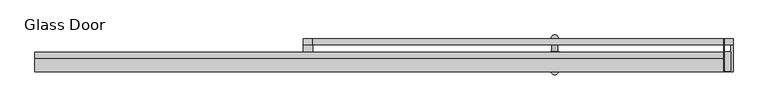
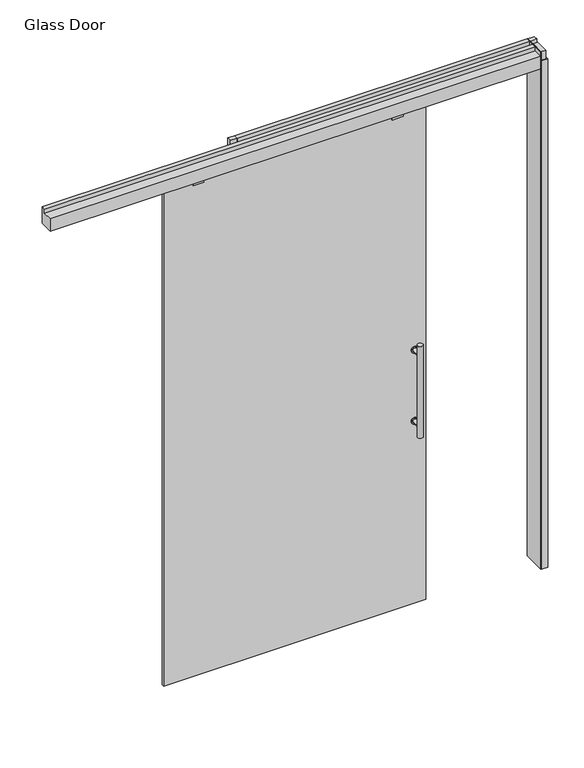
"""IFC4 building model written with IfcOpenShell, lengths in millimetres: plate geometry, Glass Door."""

from ifc_helpers import new_model, si_unit, point, frame, frame_2d, origin, origin_with_axes, place, context, project, spatial, polyline, circle_curve, trimmed, segment, composite_curve, outline, extrude, source, transform, mapped, element, save


def glass_door_21e75e4e(model_context):
    return source(origin(), model_context, "Body", "SweptSolid", [
        extrude(outline(composite_curve([segment(trimmed(circle_curve(frame_2d((1267.7758628, 122.9502762)), 15.5007671), [point((1267.7758628, 107.449509))], [point((1267.7758628, 138.4510433))], False, "CARTESIAN"), True, "CONTINUOUS"), segment(trimmed(circle_curve(frame_2d((1267.7758628, 122.9502762)), 15.5007671), [point((1267.7758628, 138.4510433))], [point((1267.7758628, 107.449509))], False, "CARTESIAN"), True, "CONTINUOUS")], self_intersect=False)), frame((0.0, -15.2147122, 0.0), z_axis=(0.0, 1.0, 0.0), x_axis=(0.0, 0.0, 1.0)), (0.0, 0.0, 1.0), 3.556),
        extrude(outline(composite_curve([segment(trimmed(circle_curve(frame_2d((912.5206255, 122.9502762)), 15.5007671), [point((912.5206255, 107.449509))], [point((912.5206255, 138.4510433))], False, "CARTESIAN"), True, "CONTINUOUS"), segment(trimmed(circle_curve(frame_2d((912.5206255, 122.9502762)), 15.5007671), [point((912.5206255, 138.4510433))], [point((912.5206255, 107.449509))], False, "CARTESIAN"), True, "CONTINUOUS")], self_intersect=False)), frame((0.0, -15.2147122, 0.0), z_axis=(0.0, 1.0, 0.0), x_axis=(0.0, 0.0, 1.0)), (0.0, 0.0, 1.0), 3.556),
        extrude(outline(composite_curve([segment(trimmed(circle_curve(frame_2d((912.5206255, 122.9502762)), 9.4326721), [point((912.5206255, 113.5176041))], [point((912.5206255, 132.3829482))], False, "CARTESIAN"), True, "CONTINUOUS"), segment(trimmed(circle_curve(frame_2d((912.5206255, 122.9502762)), 9.4326721), [point((912.5206255, 132.3829482))], [point((912.5206255, 113.5176041))], False, "CARTESIAN"), True, "CONTINUOUS")], self_intersect=False)), frame((0.0, -11.6587122, 0.0), z_axis=(0.0, 1.0, 0.0), x_axis=(0.0, 0.0, 1.0)), (0.0, 0.0, 1.0), 44.4031381),
        extrude(outline(composite_curve([segment(trimmed(circle_curve(frame_2d((1267.7758628, 122.9502762)), 9.4326721), [point((1267.7758628, 113.5176041))], [point((1267.7758628, 132.3829482))], False, "CARTESIAN"), True, "CONTINUOUS"), segment(trimmed(circle_curve(frame_2d((1267.7758628, 122.9502762)), 9.4326721), [point((1267.7758628, 132.3829482))], [point((1267.7758628, 113.5176041))], False, "CARTESIAN"), True, "CONTINUOUS")], self_intersect=False)), frame((0.0, -11.6587122, 0.0), z_axis=(0.0, 1.0, 0.0), x_axis=(0.0, 0.0, 1.0)), (0.0, 0.0, 1.0), 44.4031381),
        extrude(outline(composite_curve([segment(trimmed(circle_curve(frame_2d((122.9502762, 32.7444259)), 12.7), [point((110.2502762, 32.7444259))], [point((135.6502762, 32.7444259))], False, "CARTESIAN"), True, "CONTINUOUS"), segment(trimmed(circle_curve(frame_2d((122.9502762, 32.7444259)), 12.7), [point((135.6502762, 32.7444259))], [point((110.2502762, 32.7444259))], False, "CARTESIAN"), True, "CONTINUOUS")], self_intersect=False)), frame((0.0, 0.0, 861.5482441), z_axis=(0.0, 0.0, 1.0), x_axis=(1.0, 0.0, 0.0)), (0.0, 0.0, 1.0), 457.2),
        extrude(outline(composite_curve([segment(trimmed(circle_curve(frame_2d((1267.7758628, 122.9502762)), 15.5007671), [point((1267.7758628, 107.449509))], [point((1267.7758628, 138.4510433))], False, "CARTESIAN"), True, "CONTINUOUS"), segment(trimmed(circle_curve(frame_2d((1267.7758628, 122.9502762)), 15.5007671), [point((1267.7758628, 138.4510433))], [point((1267.7758628, 107.449509))], False, "CARTESIAN"), True, "CONTINUOUS")], self_intersect=False)), frame((0.0, -31.4707122, 0.0), z_axis=(0.0, 1.0, 0.0), x_axis=(0.0, 0.0, 1.0)), (0.0, 0.0, 1.0), 3.556),
        extrude(outline(composite_curve([segment(trimmed(circle_curve(frame_2d((912.5206255, 122.9502762)), 15.5007671), [point((912.5206255, 107.449509))], [point((912.5206255, 138.4510433))], False, "CARTESIAN"), True, "CONTINUOUS"), segment(trimmed(circle_curve(frame_2d((912.5206255, 122.9502762)), 15.5007671), [point((912.5206255, 138.4510433))], [point((912.5206255, 107.449509))], False, "CARTESIAN"), True, "CONTINUOUS")], self_intersect=False)), frame((0.0, -31.4707122, 0.0), z_axis=(0.0, 1.0, 0.0), x_axis=(0.0, 0.0, 1.0)), (0.0, 0.0, 1.0), 3.556),
        extrude(outline(composite_curve([segment(trimmed(circle_curve(frame_2d((912.5206255, 122.9502762)), 9.4326721), [point((912.5206255, 113.5176041))], [point((912.5206255, 132.3829482))], False, "CARTESIAN"), True, "CONTINUOUS"), segment(trimmed(circle_curve(frame_2d((912.5206255, 122.9502762)), 9.4326721), [point((912.5206255, 132.3829482))], [point((912.5206255, 113.5176041))], False, "CARTESIAN"), True, "CONTINUOUS")], self_intersect=False)), frame((0.0, -75.8738503, 0.0), z_axis=(0.0, 1.0, 0.0), x_axis=(0.0, 0.0, 1.0)), (0.0, 0.0, 1.0), 44.4031381),
        extrude(outline(composite_curve([segment(trimmed(circle_curve(frame_2d((1267.7758628, 122.9502762)), 9.4326721), [point((1267.7758628, 113.5176041))], [point((1267.7758628, 132.3829482))], False, "CARTESIAN"), True, "CONTINUOUS"), segment(trimmed(circle_curve(frame_2d((1267.7758628, 122.9502762)), 9.4326721), [point((1267.7758628, 132.3829482))], [point((1267.7758628, 113.5176041))], False, "CARTESIAN"), True, "CONTINUOUS")], self_intersect=False)), frame((0.0, -75.8738503, 0.0), z_axis=(0.0, 1.0, 0.0), x_axis=(0.0, 0.0, 1.0)), (0.0, 0.0, 1.0), 44.4031381),
        extrude(outline(composite_curve([segment(trimmed(circle_curve(frame_2d((122.9502762, -75.8738503)), 12.7), [point((110.2502762, -75.8738503))], [point((135.6502762, -75.8738503))], False, "CARTESIAN"), True, "CONTINUOUS"), segment(trimmed(circle_curve(frame_2d((122.9502762, -75.8738503)), 12.7), [point((135.6502762, -75.8738503))], [point((110.2502762, -75.8738503))], False, "CARTESIAN"), True, "CONTINUOUS")], self_intersect=False)), frame((0.0, 0.0, 861.5482441), z_axis=(0.0, 0.0, 1.0), x_axis=(1.0, 0.0, 0.0)), (0.0, 0.0, 1.0), 457.2),
        extrude(outline(polyline([(691.66102, 32.4102878), (693.69302, 32.4102878), (693.69302, -78.5748921), (691.66102, -78.5748921), (691.66102, 32.4102878)])), origin_with_axes(), (0.0, 0.0, 1.0), 2584.8582131),
        extrude(outline(polyline([(693.69302, 31.9657855), (723.9, 31.9657855), (723.9, 11.7473709), (693.69302, 11.7473709), (693.69302, 31.9657855)])), frame((0.0, 0.0, 2541.524), z_axis=(0.0, 0.0, 1.0), x_axis=(1.0, 0.0, 0.0)), (0.0, 0.0, 1.0), 43.3342131),
        extrude(outline(polyline([(716.1529999, -11.7476378), (716.1529999, -76.5428917), (693.69302, -76.5428917), (693.69302, -11.7476378), (716.1529999, -11.7476378)])), frame((0.0, 0.0, 2541.524), z_axis=(0.0, 0.0, 1.0), x_axis=(1.0, 0.0, 0.0)), (0.0, 0.0, 1.0), 43.3342131),
        extrude(outline(polyline([(723.9, 32.4102878), (723.9, -78.5748921), (693.69302, -78.5748921), (693.69302, -76.5428917), (716.1529999, -76.5428917), (716.1529999, 30.3782748), (693.69302, 30.3782748), (693.69302, 32.4102878), (723.9, 32.4102878)])), origin_with_axes(), (0.0, 0.0, 1.0), 2541.524),
        extrude(outline(polyline([(-723.9, 32.4102878), (-691.66102, 32.4102878), (-691.66102, -12.394152), (-723.9, -12.394152), (-723.9, 32.4102878)])), origin_with_axes(), (0.0, 0.0, 1.0), 2541.524),
        extrude(outline(polyline([(691.66102, 31.9657855), (691.66102, 11.7473709), (-691.66102, 11.7473709), (-691.66102, 31.9657855), (691.66102, 31.9657855)])), frame((0.0, 0.0, 2502.3082131), z_axis=(0.0, 0.0, 1.0), x_axis=(1.0, 0.0, 0.0)), (0.0, 0.0, 1.0), 82.55),
        extrude(outline(polyline([(-723.9, 31.9657855), (-691.66102, 31.9657855), (-691.66102, 11.7473709), (-723.9, 11.7473709), (-723.9, 31.9657855)])), frame((0.0, 0.0, 2541.524), z_axis=(0.0, 0.0, 1.0), x_axis=(1.0, 0.0, 0.0)), (0.0, 0.0, 1.0), 43.3342131),
        extrude(outline(polyline([(-876.1951926, -36.1536677), (-927.32705, -36.1536677), (-927.32705, -27.9147122), (-876.1951926, -27.9147122), (-876.1951926, -36.1536677)])), frame((0.0, 0.0, 2457.4499031), z_axis=(0.0, 0.0, 1.0), x_axis=(1.0, 0.0, 0.0)), (0.0, 0.0, 1.0), 44.85831),
        extrude(outline(polyline([(65.0127702, -36.1536677), (14.2128187, -36.1536677), (14.2128187, -27.9147122), (65.0127702, -27.9147122), (65.0127702, -36.1536677)])), frame((0.0, 0.0, 2457.4499031), z_axis=(0.0, 0.0, 1.0), x_axis=(1.0, 0.0, 0.0)), (0.0, 0.0, 1.0), 44.85831),
        extrude(outline(polyline([(-32.9183918, 2584.8582131), (-12.7000057, 2584.8582131), (-12.7000057, 2502.3082131), (-78.5748921, 2502.3082131), (-78.5748921, 2563.9522202), (-32.9183918, 2563.9522202), (-32.9183918, 2584.8582131)])), frame((-1628.2891575, 0.0, 0.0), z_axis=(1.0, 0.0, 0.0), x_axis=(0.0, 1.0, 0.0)), (0.0, 0.0, 1.0), 2319.9501775),
        extrude(outline(polyline([(176.8490762, -27.9147122), (-1062.580391, -27.9147122), (-1062.580391, -17.7868078), (176.8490762, -17.7868078), (176.8490762, -27.9147122)])), origin_with_axes(), (0.0, 0.0, 1.0), 2502.3082131),
    ])


if __name__ == "__main__":
    model = new_model("IFC4")
    model_context = context("Model", 3, world=origin())
    ifc_project = project(units=[si_unit("LENGTHUNIT", "METRE", prefix="MILLI")], contexts=[model_context])
    site = spatial("IfcSite", under=ifc_project)
    building = spatial("IfcBuilding", under=site)
    placement = place(None, origin())
    glass_door_shape = glass_door_21e75e4e(model_context)
    element("IfcPlate", 1, ObjectType="Glass Door", at=placement, inside=building, context=model_context, shape_type="MappedRepresentation", body=[
        mapped(glass_door_shape, transform((0.0, 0.0, 0.0), x_axis=(1.0, 0.0, 0.0), y_axis=(0.0, 1.0, 0.0), z_axis=(0.0, 0.0, 1.0))),
    ])
    save(model, "model.ifc")
